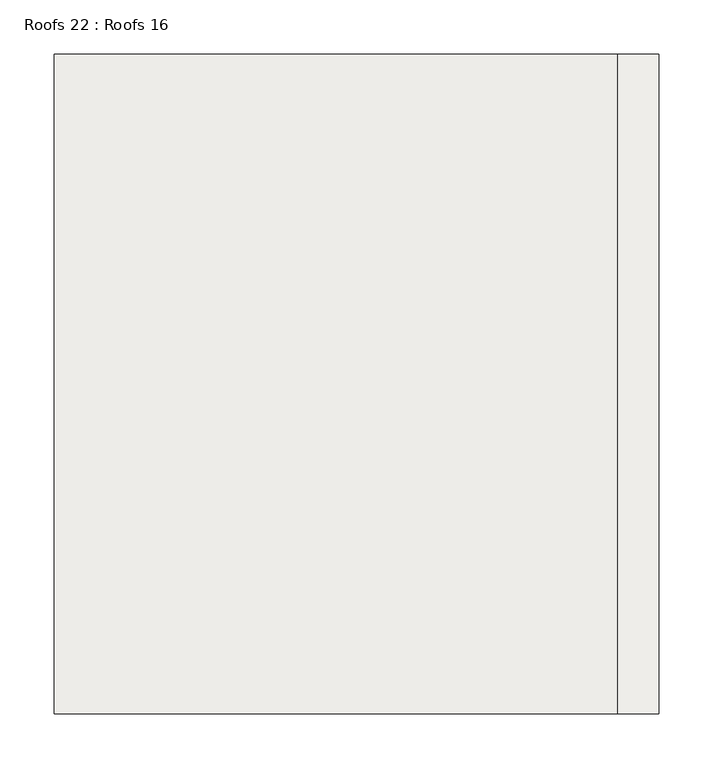
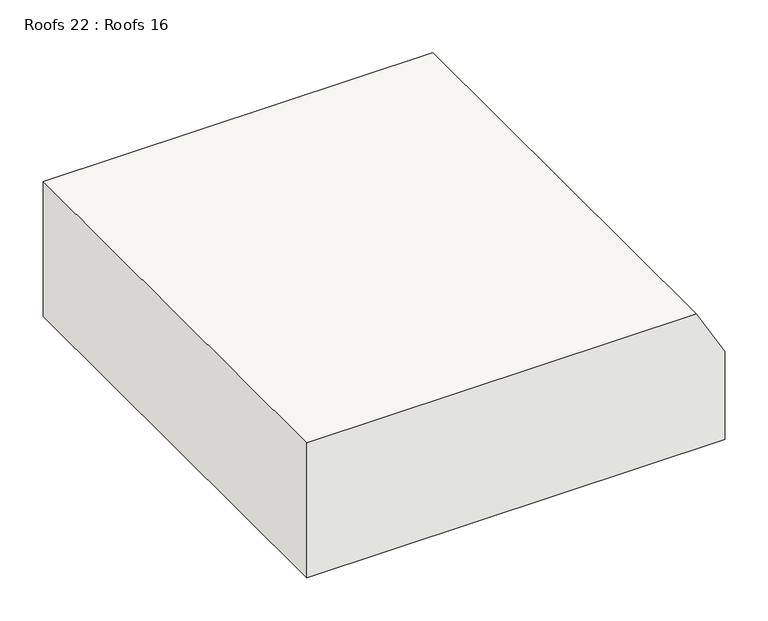
"""IFC4 building model written with IfcOpenShell, lengths in millimetres: roof geometry, Roofs 22 : Roofs 16."""

from ifc_helpers import new_model, si_unit, frame, origin, place, context, project, spatial, polyline, outline, extrude, source, transform, mapped, element, save


def roofs_22_roofs_16_3cbc3a4d(model_context):
    return source(origin(), model_context, "Body", "SweptSolid", [
        extrude(outline(polyline([(-1668.9953473, -26342.8103773), (-1668.9953473, -25784.0103773), (-1544.4864831, -25784.0103773), (-1478.4953473, -25822.1103773), (-1478.4953473, -26342.8103773), (-1668.9953473, -26342.8103773)])), frame((0.0, 26812.5714407, 0.0), z_axis=(0.0, 1.0, 0.0), x_axis=(0.0, 0.0, 1.0)), (0.0, 0.0, 1.0), 609.7984406),
    ])


if __name__ == "__main__":
    model = new_model("IFC4")
    model_context = context("Model", 3, world=origin())
    ifc_project = project(units=[si_unit("LENGTHUNIT", "METRE", prefix="MILLI")], contexts=[model_context])
    site = spatial("IfcSite", under=ifc_project)
    building = spatial("IfcBuilding", under=site)
    placement = place(None, origin())
    roofs_22_roofs_16_shape = roofs_22_roofs_16_3cbc3a4d(model_context)
    element("IfcRoof", 1, ObjectType="Roofs 22 : Roofs 16", at=placement, inside=building, context=model_context, shape_type="MappedRepresentation", body=[
        mapped(roofs_22_roofs_16_shape, transform((0.0, 0.0, 0.0), x_axis=(1.0, 0.0, 0.0), y_axis=(0.0, 1.0, 0.0), z_axis=(0.0, 0.0, 1.0))),
    ])
    save(model, "model.ifc")
